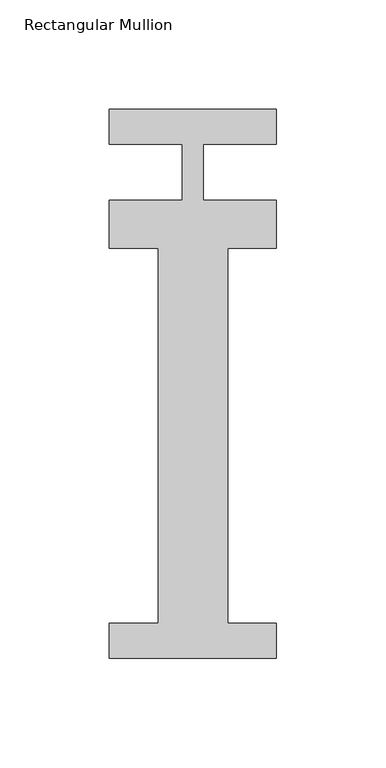
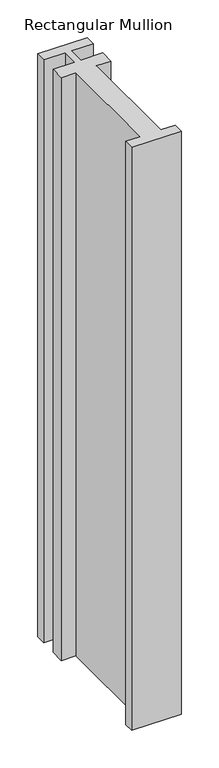
"""IFC4 building model written with IfcOpenShell, lengths in millimetres: member geometry, Rectangular Mullion."""

import ifcopenshell
import ifcopenshell.guid

model = None  # the IFC model being written
_history = None  # IfcOwnerHistory: only IFC2X3 demands one
_inside = {}  # id of a spatial element -> (the spatial element, [elements in it])
_under = {}  # id of a project, library or spatial element -> (it, [spatial elements below it])
_declared = {}  # id of a project -> (the project, [libraries it declares])
_typed = {}  # id of a type object -> (the type object, [elements of that type])
_made_of = {}  # id of a material, layer set ... -> (it, [elements and type objects made of it])


def new_model(schema):
    """Start an empty IFC model of exactly this schema.

    Asked for "IFC4X3", IfcOpenShell would pick the latest addendum, in which some entities
    have other attributes; the version numbers below select the first issue.
    IFC2X3 requires an IfcOwnerHistory on every rooted entity: one is made here for all.
    """
    global model, _history
    if schema == "IFC4X3":
        model = ifcopenshell.file(schema_version=(4, 3, 0, 0))
    else:
        model = ifcopenshell.file(schema=schema)
    _inside.clear()
    _under.clear()
    _declared.clear()
    _typed.clear()
    _made_of.clear()
    _history = None
    if model.schema == "IFC2X3":
        org = make("IfcOrganization", Name="unknown")
        user = make(
            "IfcPersonAndOrganization",
            ThePerson=make("IfcPerson", FamilyName="unknown"),
            TheOrganization=org,
        )
        app = make(
            "IfcApplication",
            ApplicationDeveloper=org,
            Version="unknown",
            ApplicationFullName="unknown",
            ApplicationIdentifier="unknown",
        )
        _history = make(
            "IfcOwnerHistory",
            OwningUser=user,
            OwningApplication=app,
            ChangeAction="ADDED",
            CreationDate=0,
        )
    return model


def make(cls, **values):
    """One entity of the class cls with the attributes given. An attribute that is None is left unset."""
    return model.create_entity(
        cls, **{name: value for name, value in values.items() if value is not None}
    )


def rooted(cls, **values):
    """An entity with a GlobalId (a new one), such as an element, a storey or a relation."""
    return make(cls, GlobalId=ifcopenshell.guid.new(), OwnerHistory=_history, **values)


def si_unit(unit_type, name, prefix=None):
    """IfcSIUnit, for example si_unit("LENGTHUNIT", "METRE", prefix="MILLI")."""
    return make("IfcSIUnit", UnitType=unit_type, Prefix=prefix, Name=name)


def assignment(units):
    """IfcUnitAssignment: the units of a project."""
    return None if units is None else make("IfcUnitAssignment", Units=units)


def point(xyz):
    """IfcCartesianPoint."""
    return None if xyz is None else make("IfcCartesianPoint", Coordinates=xyz)


def direction(xyz):
    """IfcDirection."""
    return None if xyz is None else make("IfcDirection", DirectionRatios=xyz)


def frame(location, z_axis=None, x_axis=None):
    """IfcAxis2Placement3D, a coordinate frame: its origin and axes. An axis left out is left unset."""
    return make(
        "IfcAxis2Placement3D",
        Location=point(location),
        Axis=direction(z_axis),
        RefDirection=direction(x_axis),
    )


def origin():
    """The frame at (0, 0, 0) with its axes left unset."""
    return frame((0.0, 0.0, 0.0))


def place(relative_to, where):
    """IfcLocalPlacement: puts the frame where relative to a parent placement (None: the world)."""
    return make(
        "IfcLocalPlacement", PlacementRelTo=relative_to, RelativePlacement=where
    )


def context(
    kind, dimensions, precision=None, world=None, true_north=None, identifier=None
):
    """IfcGeometricRepresentationContext, for example the 3D "Model" context."""
    return make(
        "IfcGeometricRepresentationContext",
        ContextIdentifier=identifier,
        ContextType=kind,
        CoordinateSpaceDimension=dimensions,
        Precision=precision,
        WorldCoordinateSystem=world,
        TrueNorth=true_north,
    )


def project(units=None, contexts=None):
    """IfcProject with its units and contexts."""
    return rooted(
        "IfcProject",
        Name="project",
        RepresentationContexts=contexts,
        UnitsInContext=assignment(units),
    )


def spatial(cls, under=None, at=None, **own):
    """A site, building, storey or space (cls), placed at a placement, below another one or the project."""
    s = rooted(cls, ObjectPlacement=at, **own)
    if under is not None:
        _under.setdefault(under.id(), (under, []))[1].append(s)
    return s


def polyline(points):
    """IfcPolyline through the points."""
    return make("IfcPolyline", Points=[point(p) for p in points])


def outline(outer, holes=None, kind="AREA"):
    """IfcArbitraryClosedProfileDef: a profile drawn as a closed curve; with holes, ...WithVoids."""
    if holes is None:
        return make("IfcArbitraryClosedProfileDef", ProfileType=kind, OuterCurve=outer)
    return make(
        "IfcArbitraryProfileDefWithVoids",
        ProfileType=kind,
        OuterCurve=outer,
        InnerCurves=holes,
    )


def extrude(swept, where, along, depth):
    """IfcExtrudedAreaSolid: the profile swept, set in the frame where, extruded along a direction by depth."""
    return make(
        "IfcExtrudedAreaSolid",
        SweptArea=swept,
        Position=where,
        ExtrudedDirection=direction(along),
        Depth=depth,
    )


def shape(context_of_items, identifier, shape_type, items):
    """IfcShapeRepresentation: the items that make up one representation, for example the "Body"."""
    return make(
        "IfcShapeRepresentation",
        ContextOfItems=context_of_items,
        RepresentationIdentifier=identifier,
        RepresentationType=shape_type,
        Items=items,
    )


def source(mapping_origin, context_of_items, identifier, shape_type, items):
    """IfcRepresentationMap: a shape defined once, which mapped items show again and again."""
    return make(
        "IfcRepresentationMap",
        MappingOrigin=mapping_origin,
        MappedRepresentation=shape(context_of_items, identifier, shape_type, items),
    )


def transform(
    local_origin,
    x_axis=None,
    y_axis=None,
    z_axis=None,
    scale=None,
    scale2=None,
    scale3=None,
    uniform=True,
):
    """IfcCartesianTransformationOperator3D, or its non-uniform kind. x_axis, y_axis, z_axis: its Axis1, 2, 3."""
    if uniform:
        return make(
            "IfcCartesianTransformationOperator3D",
            Axis1=direction(x_axis),
            Axis2=direction(y_axis),
            LocalOrigin=point(local_origin),
            Scale=scale,
            Axis3=direction(z_axis),
        )
    return make(
        "IfcCartesianTransformationOperator3DnonUniform",
        Axis1=direction(x_axis),
        Axis2=direction(y_axis),
        LocalOrigin=point(local_origin),
        Scale=scale,
        Axis3=direction(z_axis),
        Scale2=scale2,
        Scale3=scale3,
    )


def mapped(mapping_source, mapping_target):
    """IfcMappedItem: shows the shape of a source again, moved by a transform."""
    return make(
        "IfcMappedItem", MappingSource=mapping_source, MappingTarget=mapping_target
    )


def made_of(thing, what):
    """Note that an element or type object is made of a material, layer set ...; save() writes the relation."""
    if what is not None:
        _made_of.setdefault(what.id(), (what, []))[1].append(thing)
    return thing


def element(
    cls,
    number,
    at=None,
    inside=None,
    cuts=None,
    type_object=None,
    material=None,
    context=None,
    identifier="Body",
    shape_type=None,
    held_by="IfcProductDefinitionShape",
    body=None,
    shapes=None,
    **own,
):
    """One element of the class cls, such as IfcWall. Its Tag is "e" and its number.

    at: its placement. inside: the storey or other place that contains it. cuts: it is an
    opening in that element (IfcRelVoidsElement). A single representation is given by context,
    identifier, shape_type and body (its items); several are given by shapes. held_by: the class
    of the entity that holds the representations. save() writes the other relations.
    """
    e = rooted(cls, Tag="e%d" % number, ObjectPlacement=at, **own)
    if body is not None:
        shapes = [shape(context, identifier, shape_type, body)]
    if shapes is not None:
        e.Representation = make(held_by, Representations=shapes)
    if inside is not None:
        _inside.setdefault(inside.id(), (inside, []))[1].append(e)
    if cuts is not None:
        rooted(
            "IfcRelVoidsElement", RelatingBuildingElement=cuts, RelatedOpeningElement=e
        )
    if type_object is not None:
        _typed.setdefault(type_object.id(), (type_object, []))[1].append(e)
    return made_of(e, material)


def aggregate(whole, parts):
    """IfcRelAggregates: a whole, such as a stair, and the parts it consists of."""
    return rooted("IfcRelAggregates", RelatingObject=whole, RelatedObjects=parts)


def save(model, path):
    """Write the relations noted so far, then the file.

    IfcRelAggregates (storeys below a building ...), IfcRelContainedInSpatialStructure (elements
    in a storey), IfcRelDefinesByType, IfcRelAssociatesMaterial and IfcRelDeclares: one each for
    every whole, place, type object, material and project.
    """
    for whole, parts in _under.values():
        aggregate(whole, parts)
    for where, things in _inside.values():
        rooted(
            "IfcRelContainedInSpatialStructure",
            RelatedElements=things,
            RelatingStructure=where,
        )
    for kind, things in _typed.values():
        rooted("IfcRelDefinesByType", RelatedObjects=things, RelatingType=kind)
    for what, things in _made_of.values():
        rooted("IfcRelAssociatesMaterial", RelatedObjects=things, RelatingMaterial=what)
    for by, libraries in _declared.values():
        rooted("IfcRelDeclares", RelatingContext=by, RelatedDefinitions=libraries)
    model.write(path)


def rectangular_mullion_34afd025(model_context):
    return source(origin(), model_context, "Body", "SweptSolid", [
        extrude(outline(polyline([(38.1, -221.996), (-38.1, -221.996), (-38.1, -206.121), (-15.875, -206.121), (-15.875, -34.671), (-38.1, -34.671), (-38.1, -12.7), (-4.7625, -12.7), (-4.7625, 12.7), (-38.1, 12.7), (-38.1, 28.7131807), (38.1, 28.7131807), (38.1, 12.7), (4.7625, 12.7), (4.7625, -12.7), (38.1, -12.7), (38.1, -34.671), (15.875, -34.671), (15.875, -206.121), (38.1, -206.121), (38.1, -221.996)])), frame((0.0, 0.0, -948.2666667), z_axis=(0.0, 0.0, 1.0), x_axis=(1.0, 0.0, 0.0)), (0.0, 0.0, 1.0), 948.2666667),
    ])


if __name__ == "__main__":
    model = new_model("IFC4")
    model_context = context("Model", 3, world=origin())
    ifc_project = project(units=[si_unit("LENGTHUNIT", "METRE", prefix="MILLI")], contexts=[model_context])
    site = spatial("IfcSite", under=ifc_project)
    building = spatial("IfcBuilding", under=site)
    placement = place(None, origin())
    rectangular_mullion_shape = rectangular_mullion_34afd025(model_context)
    element("IfcMember", 1, ObjectType="Rectangular Mullion", at=placement, inside=building, context=model_context, shape_type="MappedRepresentation", body=[
        mapped(rectangular_mullion_shape, transform((0.0, 0.0, 0.0), x_axis=(1.0, 0.0, 0.0), y_axis=(0.0, 1.0, 0.0), z_axis=(0.0, 0.0, 1.0))),
    ])
    save(model, "model.ifc")
